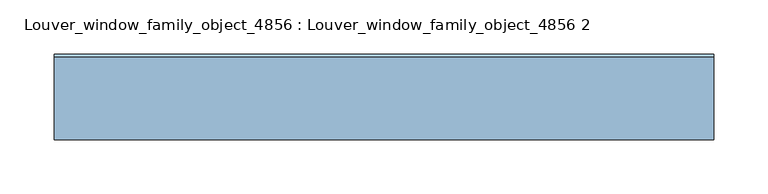
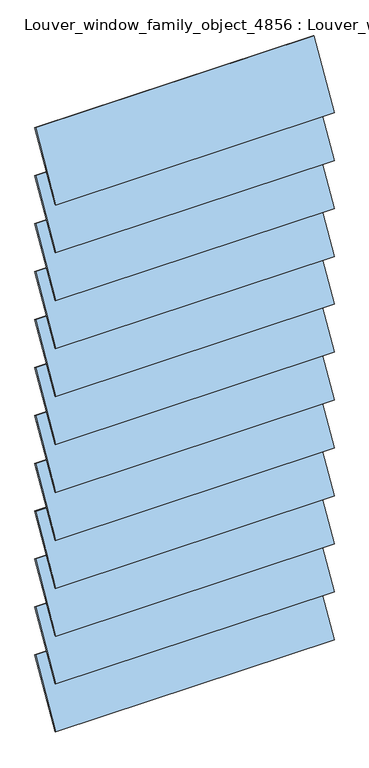
"""IFC4 building model written with IfcOpenShell, lengths in millimetres: window geometry, Louver_window_family_object_4856 : Louver_window_family_object_4856 2."""

from ifc_helpers import new_model, si_unit, point, frame, frame_2d, origin, place, context, project, spatial, polyline, circle_curve, trimmed, segment, composite_curve, outline, extrude, source, transform, mapped, element, save


def louver_window_family_object_4856_louver_window_family_object_ea1dc47e(model_context):
    return source(origin(), model_context, "Body", "SweptSolid", [
        extrude(outline(composite_curve([segment(polyline([(39.4665462, 2468.9466996), (-36.7169155, 2336.9930731)]), True, "CONTINUOUS"), segment(trimmed(circle_curve(frame_2d((0.0, 2403.7636364)), 76.2), [point((-36.7169155, 2336.9930731))], [point((-39.4665462, 2338.5805731))], False, "CARTESIAN"), True, "CONTINUOUS"), segment(polyline([(-39.4665462, 2338.5805731), (36.7169155, 2470.5341996)]), True, "CONTINUOUS"), segment(trimmed(circle_curve(frame_2d((0.0, 2403.7636364)), 76.2), [point((36.7169155, 2470.5341996))], [point((39.4665462, 2468.9466996))], False, "CARTESIAN"), True, "CONTINUOUS")], self_intersect=False)), frame((-304.8, 0.0, 0.0), z_axis=(1.0, 0.0, 0.0), x_axis=(0.0, 1.0, 0.0)), (0.0, 0.0, 1.0), 609.6),
        extrude(outline(composite_curve([segment(polyline([(39.4665462, 2358.1103359), (-36.7169155, 2226.1567095)]), True, "CONTINUOUS"), segment(trimmed(circle_curve(frame_2d((0.0, 2292.9272727)), 76.2), [point((-36.7169155, 2226.1567095))], [point((-39.4665462, 2227.7442095))], False, "CARTESIAN"), True, "CONTINUOUS"), segment(polyline([(-39.4665462, 2227.7442095), (36.7169155, 2359.6978359)]), True, "CONTINUOUS"), segment(trimmed(circle_curve(frame_2d((0.0, 2292.9272727)), 76.2), [point((36.7169155, 2359.6978359))], [point((39.4665462, 2358.1103359))], False, "CARTESIAN"), True, "CONTINUOUS")], self_intersect=False)), frame((-304.8, 0.0, 0.0), z_axis=(1.0, 0.0, 0.0), x_axis=(0.0, 1.0, 0.0)), (0.0, 0.0, 1.0), 609.6),
        extrude(outline(composite_curve([segment(polyline([(39.4665462, 2247.2739723), (-36.7169155, 2115.3203459)]), True, "CONTINUOUS"), segment(trimmed(circle_curve(frame_2d((0.0, 2182.0909091)), 76.2), [point((-36.7169155, 2115.3203459))], [point((-39.4665462, 2116.9078459))], False, "CARTESIAN"), True, "CONTINUOUS"), segment(polyline([(-39.4665462, 2116.9078459), (36.7169155, 2248.8614723)]), True, "CONTINUOUS"), segment(trimmed(circle_curve(frame_2d((0.0, 2182.0909091)), 76.2), [point((36.7169155, 2248.8614723))], [point((39.4665462, 2247.2739723))], False, "CARTESIAN"), True, "CONTINUOUS")], self_intersect=False)), frame((-304.8, 0.0, 0.0), z_axis=(1.0, 0.0, 0.0), x_axis=(0.0, 1.0, 0.0)), (0.0, 0.0, 1.0), 609.6),
        extrude(outline(composite_curve([segment(polyline([(39.4665462, 2136.4376087), (-36.7169155, 2004.4839822)]), True, "CONTINUOUS"), segment(trimmed(circle_curve(frame_2d((0.0, 2071.2545455)), 76.2), [point((-36.7169155, 2004.4839822))], [point((-39.4665462, 2006.0714822))], False, "CARTESIAN"), True, "CONTINUOUS"), segment(polyline([(-39.4665462, 2006.0714822), (36.7169155, 2138.0251087)]), True, "CONTINUOUS"), segment(trimmed(circle_curve(frame_2d((0.0, 2071.2545455)), 76.2), [point((36.7169155, 2138.0251087))], [point((39.4665462, 2136.4376087))], False, "CARTESIAN"), True, "CONTINUOUS")], self_intersect=False)), frame((-304.8, 0.0, 0.0), z_axis=(1.0, 0.0, 0.0), x_axis=(0.0, 1.0, 0.0)), (0.0, 0.0, 1.0), 609.6),
        extrude(outline(composite_curve([segment(polyline([(39.4665462, 2025.601245), (-36.7169155, 1893.6476186)]), True, "CONTINUOUS"), segment(trimmed(circle_curve(frame_2d((0.0, 1960.4181818)), 76.2), [point((-36.7169155, 1893.6476186))], [point((-39.4665462, 1895.2351186))], False, "CARTESIAN"), True, "CONTINUOUS"), segment(polyline([(-39.4665462, 1895.2351186), (36.7169155, 2027.188745)]), True, "CONTINUOUS"), segment(trimmed(circle_curve(frame_2d((0.0, 1960.4181818)), 76.2), [point((36.7169155, 2027.188745))], [point((39.4665462, 2025.601245))], False, "CARTESIAN"), True, "CONTINUOUS")], self_intersect=False)), frame((-304.8, 0.0, 0.0), z_axis=(1.0, 0.0, 0.0), x_axis=(0.0, 1.0, 0.0)), (0.0, 0.0, 1.0), 609.6),
        extrude(outline(composite_curve([segment(polyline([(39.4665462, 1914.7648814), (-36.7169155, 1782.811255)]), True, "CONTINUOUS"), segment(trimmed(circle_curve(frame_2d((0.0, 1849.5818182)), 76.2), [point((-36.7169155, 1782.811255))], [point((-39.4665462, 1784.398755))], False, "CARTESIAN"), True, "CONTINUOUS"), segment(polyline([(-39.4665462, 1784.398755), (36.7169155, 1916.3523814)]), True, "CONTINUOUS"), segment(trimmed(circle_curve(frame_2d((0.0, 1849.5818182)), 76.2), [point((36.7169155, 1916.3523814))], [point((39.4665462, 1914.7648814))], False, "CARTESIAN"), True, "CONTINUOUS")], self_intersect=False)), frame((-304.8, 0.0, 0.0), z_axis=(1.0, 0.0, 0.0), x_axis=(0.0, 1.0, 0.0)), (0.0, 0.0, 1.0), 609.6),
        extrude(outline(composite_curve([segment(polyline([(39.4665462, 1803.9285178), (-36.7169155, 1671.9748913)]), True, "CONTINUOUS"), segment(trimmed(circle_curve(frame_2d((0.0, 1738.7454545)), 76.2), [point((-36.7169155, 1671.9748913))], [point((-39.4665462, 1673.5623913))], False, "CARTESIAN"), True, "CONTINUOUS"), segment(polyline([(-39.4665462, 1673.5623913), (36.7169155, 1805.5160178)]), True, "CONTINUOUS"), segment(trimmed(circle_curve(frame_2d((0.0, 1738.7454545)), 76.2), [point((36.7169155, 1805.5160178))], [point((39.4665462, 1803.9285178))], False, "CARTESIAN"), True, "CONTINUOUS")], self_intersect=False)), frame((-304.8, 0.0, 0.0), z_axis=(1.0, 0.0, 0.0), x_axis=(0.0, 1.0, 0.0)), (0.0, 0.0, 1.0), 609.6),
        extrude(outline(composite_curve([segment(polyline([(39.4665462, 1693.0921541), (-36.7169155, 1561.1385277)]), True, "CONTINUOUS"), segment(trimmed(circle_curve(frame_2d((0.0, 1627.9090909)), 76.2), [point((-36.7169155, 1561.1385277))], [point((-39.4665462, 1562.7260277))], False, "CARTESIAN"), True, "CONTINUOUS"), segment(polyline([(-39.4665462, 1562.7260277), (36.7169155, 1694.6796541)]), True, "CONTINUOUS"), segment(trimmed(circle_curve(frame_2d((0.0, 1627.9090909)), 76.2), [point((36.7169155, 1694.6796541))], [point((39.4665462, 1693.0921541))], False, "CARTESIAN"), True, "CONTINUOUS")], self_intersect=False)), frame((-304.8, 0.0, 0.0), z_axis=(1.0, 0.0, 0.0), x_axis=(0.0, 1.0, 0.0)), (0.0, 0.0, 1.0), 609.6),
        extrude(outline(composite_curve([segment(polyline([(39.4665462, 1582.2557905), (-36.7169155, 1450.3021641)]), True, "CONTINUOUS"), segment(trimmed(circle_curve(frame_2d((0.0, 1517.0727273)), 76.2), [point((-36.7169155, 1450.3021641))], [point((-39.4665462, 1451.8896641))], False, "CARTESIAN"), True, "CONTINUOUS"), segment(polyline([(-39.4665462, 1451.8896641), (36.7169155, 1583.8432905)]), True, "CONTINUOUS"), segment(trimmed(circle_curve(frame_2d((0.0, 1517.0727273)), 76.2), [point((36.7169155, 1583.8432905))], [point((39.4665462, 1582.2557905))], False, "CARTESIAN"), True, "CONTINUOUS")], self_intersect=False)), frame((-304.8, 0.0, 0.0), z_axis=(1.0, 0.0, 0.0), x_axis=(0.0, 1.0, 0.0)), (0.0, 0.0, 1.0), 609.6),
        extrude(outline(composite_curve([segment(polyline([(39.4665462, 1471.4194269), (-36.7169155, 1339.4658004)]), True, "CONTINUOUS"), segment(trimmed(circle_curve(frame_2d((0.0, 1406.2363636)), 76.2), [point((-36.7169155, 1339.4658004))], [point((-39.4665462, 1341.0533004))], False, "CARTESIAN"), True, "CONTINUOUS"), segment(polyline([(-39.4665462, 1341.0533004), (36.7169155, 1473.0069269)]), True, "CONTINUOUS"), segment(trimmed(circle_curve(frame_2d((0.0, 1406.2363636)), 76.2), [point((36.7169155, 1473.0069269))], [point((39.4665462, 1471.4194269))], False, "CARTESIAN"), True, "CONTINUOUS")], self_intersect=False)), frame((-304.8, 0.0, 0.0), z_axis=(1.0, 0.0, 0.0), x_axis=(0.0, 1.0, 0.0)), (0.0, 0.0, 1.0), 609.6),
        extrude(outline(composite_curve([segment(polyline([(39.4665462, 2579.7830632), (-36.7169155, 2447.8294368)]), True, "CONTINUOUS"), segment(trimmed(circle_curve(frame_2d((0.0, 2514.6)), 76.2), [point((-36.7169155, 2447.8294368))], [point((-39.4665462, 2449.4169368))], False, "CARTESIAN"), True, "CONTINUOUS"), segment(polyline([(-39.4665462, 2449.4169368), (36.7169155, 2581.3705632)]), True, "CONTINUOUS"), segment(trimmed(circle_curve(frame_2d((0.0, 2514.6)), 76.2), [point((36.7169155, 2581.3705632))], [point((39.4665462, 2579.7830632))], False, "CARTESIAN"), True, "CONTINUOUS")], self_intersect=False)), frame((-304.8, 0.0, 0.0), z_axis=(1.0, 0.0, 0.0), x_axis=(0.0, 1.0, 0.0)), (0.0, 0.0, 1.0), 609.6),
        extrude(outline(composite_curve([segment(polyline([(39.4665462, 1360.5830632), (-36.7169155, 1228.6294368)]), True, "CONTINUOUS"), segment(trimmed(circle_curve(frame_2d((0.0, 1295.4)), 76.2), [point((-36.7169155, 1228.6294368))], [point((-39.4665462, 1230.2169368))], False, "CARTESIAN"), True, "CONTINUOUS"), segment(polyline([(-39.4665462, 1230.2169368), (36.7169155, 1362.1705632)]), True, "CONTINUOUS"), segment(trimmed(circle_curve(frame_2d((0.0, 1295.4)), 76.2), [point((36.7169155, 1362.1705632))], [point((39.4665462, 1360.5830632))], False, "CARTESIAN"), True, "CONTINUOUS")], self_intersect=False)), frame((-304.8, 0.0, 0.0), z_axis=(1.0, 0.0, 0.0), x_axis=(0.0, 1.0, 0.0)), (0.0, 0.0, 1.0), 609.6),
    ])


if __name__ == "__main__":
    model = new_model("IFC4")
    model_context = context("Model", 3, world=origin())
    ifc_project = project(units=[si_unit("LENGTHUNIT", "METRE", prefix="MILLI")], contexts=[model_context])
    site = spatial("IfcSite", under=ifc_project)
    building = spatial("IfcBuilding", under=site)
    placement = place(None, origin())
    louver_window_family_object_4856_louver_window_family_object_shape = louver_window_family_object_4856_louver_window_family_object_ea1dc47e(model_context)
    element("IfcWindow", 1, ObjectType="Louver_window_family_object_4856 : Louver_window_family_object_4856 2", at=placement, inside=building, context=model_context, shape_type="MappedRepresentation", body=[
        mapped(louver_window_family_object_4856_louver_window_family_object_shape, transform((0.0, 0.0, 0.0), x_axis=(1.0, 0.0, 0.0), y_axis=(0.0, 1.0, 0.0), z_axis=(0.0, 0.0, 1.0))),
    ])
    save(model, "model.ifc")
